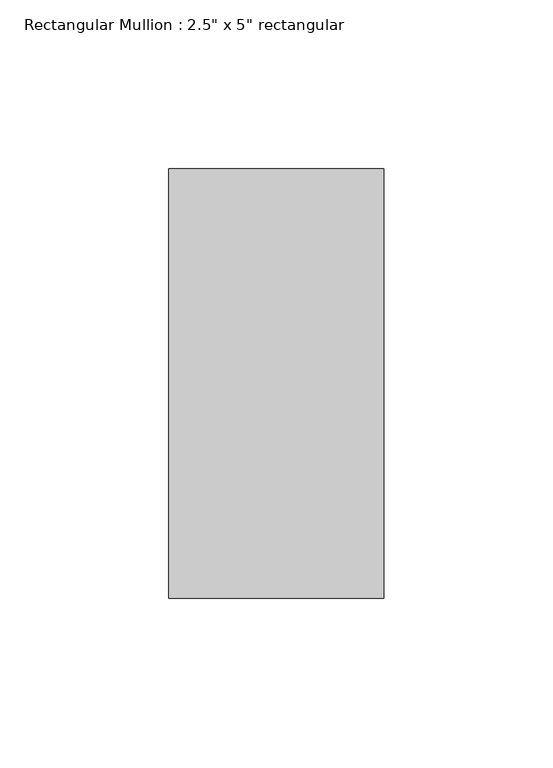
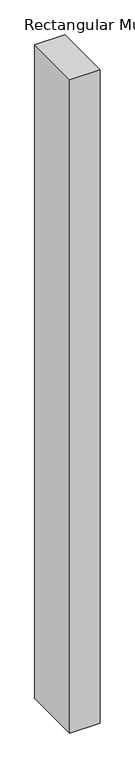
"""IFC4 building model written with IfcOpenShell, lengths in millimetres: member geometry."""

import ifcopenshell
import ifcopenshell.guid

model = None  # the IFC model being written
_history = None  # IfcOwnerHistory: only IFC2X3 demands one
_inside = {}  # id of a spatial element -> (the spatial element, [elements in it])
_under = {}  # id of a project, library or spatial element -> (it, [spatial elements below it])
_declared = {}  # id of a project -> (the project, [libraries it declares])
_typed = {}  # id of a type object -> (the type object, [elements of that type])
_made_of = {}  # id of a material, layer set ... -> (it, [elements and type objects made of it])


def new_model(schema):
    """Start an empty IFC model of exactly this schema.

    Asked for "IFC4X3", IfcOpenShell would pick the latest addendum, in which some entities
    have other attributes; the version numbers below select the first issue.
    IFC2X3 requires an IfcOwnerHistory on every rooted entity: one is made here for all.
    """
    global model, _history
    if schema == "IFC4X3":
        model = ifcopenshell.file(schema_version=(4, 3, 0, 0))
    else:
        model = ifcopenshell.file(schema=schema)
    _inside.clear()
    _under.clear()
    _declared.clear()
    _typed.clear()
    _made_of.clear()
    _history = None
    if model.schema == "IFC2X3":
        org = make("IfcOrganization", Name="unknown")
        user = make(
            "IfcPersonAndOrganization",
            ThePerson=make("IfcPerson", FamilyName="unknown"),
            TheOrganization=org,
        )
        app = make(
            "IfcApplication",
            ApplicationDeveloper=org,
            Version="unknown",
            ApplicationFullName="unknown",
            ApplicationIdentifier="unknown",
        )
        _history = make(
            "IfcOwnerHistory",
            OwningUser=user,
            OwningApplication=app,
            ChangeAction="ADDED",
            CreationDate=0,
        )
    return model


def make(cls, **values):
    """One entity of the class cls with the attributes given. An attribute that is None is left unset."""
    return model.create_entity(
        cls, **{name: value for name, value in values.items() if value is not None}
    )


def rooted(cls, **values):
    """An entity with a GlobalId (a new one), such as an element, a storey or a relation."""
    return make(cls, GlobalId=ifcopenshell.guid.new(), OwnerHistory=_history, **values)


def si_unit(unit_type, name, prefix=None):
    """IfcSIUnit, for example si_unit("LENGTHUNIT", "METRE", prefix="MILLI")."""
    return make("IfcSIUnit", UnitType=unit_type, Prefix=prefix, Name=name)


def assignment(units):
    """IfcUnitAssignment: the units of a project."""
    return None if units is None else make("IfcUnitAssignment", Units=units)


def point(xyz):
    """IfcCartesianPoint."""
    return None if xyz is None else make("IfcCartesianPoint", Coordinates=xyz)


def direction(xyz):
    """IfcDirection."""
    return None if xyz is None else make("IfcDirection", DirectionRatios=xyz)


def frame(location, z_axis=None, x_axis=None):
    """IfcAxis2Placement3D, a coordinate frame: its origin and axes. An axis left out is left unset."""
    return make(
        "IfcAxis2Placement3D",
        Location=point(location),
        Axis=direction(z_axis),
        RefDirection=direction(x_axis),
    )


def origin():
    """The frame at (0, 0, 0) with its axes left unset."""
    return frame((0.0, 0.0, 0.0))


def place(relative_to, where):
    """IfcLocalPlacement: puts the frame where relative to a parent placement (None: the world)."""
    return make(
        "IfcLocalPlacement", PlacementRelTo=relative_to, RelativePlacement=where
    )


def context(
    kind, dimensions, precision=None, world=None, true_north=None, identifier=None
):
    """IfcGeometricRepresentationContext, for example the 3D "Model" context."""
    return make(
        "IfcGeometricRepresentationContext",
        ContextIdentifier=identifier,
        ContextType=kind,
        CoordinateSpaceDimension=dimensions,
        Precision=precision,
        WorldCoordinateSystem=world,
        TrueNorth=true_north,
    )


def project(units=None, contexts=None):
    """IfcProject with its units and contexts."""
    return rooted(
        "IfcProject",
        Name="project",
        RepresentationContexts=contexts,
        UnitsInContext=assignment(units),
    )


def spatial(cls, under=None, at=None, **own):
    """A site, building, storey or space (cls), placed at a placement, below another one or the project."""
    s = rooted(cls, ObjectPlacement=at, **own)
    if under is not None:
        _under.setdefault(under.id(), (under, []))[1].append(s)
    return s


def polyline(points):
    """IfcPolyline through the points."""
    return make("IfcPolyline", Points=[point(p) for p in points])


def outline(outer, holes=None, kind="AREA"):
    """IfcArbitraryClosedProfileDef: a profile drawn as a closed curve; with holes, ...WithVoids."""
    if holes is None:
        return make("IfcArbitraryClosedProfileDef", ProfileType=kind, OuterCurve=outer)
    return make(
        "IfcArbitraryProfileDefWithVoids",
        ProfileType=kind,
        OuterCurve=outer,
        InnerCurves=holes,
    )


def extrude(swept, where, along, depth):
    """IfcExtrudedAreaSolid: the profile swept, set in the frame where, extruded along a direction by depth."""
    return make(
        "IfcExtrudedAreaSolid",
        SweptArea=swept,
        Position=where,
        ExtrudedDirection=direction(along),
        Depth=depth,
    )


def shape(context_of_items, identifier, shape_type, items):
    """IfcShapeRepresentation: the items that make up one representation, for example the "Body"."""
    return make(
        "IfcShapeRepresentation",
        ContextOfItems=context_of_items,
        RepresentationIdentifier=identifier,
        RepresentationType=shape_type,
        Items=items,
    )


def source(mapping_origin, context_of_items, identifier, shape_type, items):
    """IfcRepresentationMap: a shape defined once, which mapped items show again and again."""
    return make(
        "IfcRepresentationMap",
        MappingOrigin=mapping_origin,
        MappedRepresentation=shape(context_of_items, identifier, shape_type, items),
    )


def transform(
    local_origin,
    x_axis=None,
    y_axis=None,
    z_axis=None,
    scale=None,
    scale2=None,
    scale3=None,
    uniform=True,
):
    """IfcCartesianTransformationOperator3D, or its non-uniform kind. x_axis, y_axis, z_axis: its Axis1, 2, 3."""
    if uniform:
        return make(
            "IfcCartesianTransformationOperator3D",
            Axis1=direction(x_axis),
            Axis2=direction(y_axis),
            LocalOrigin=point(local_origin),
            Scale=scale,
            Axis3=direction(z_axis),
        )
    return make(
        "IfcCartesianTransformationOperator3DnonUniform",
        Axis1=direction(x_axis),
        Axis2=direction(y_axis),
        LocalOrigin=point(local_origin),
        Scale=scale,
        Axis3=direction(z_axis),
        Scale2=scale2,
        Scale3=scale3,
    )


def mapped(mapping_source, mapping_target):
    """IfcMappedItem: shows the shape of a source again, moved by a transform."""
    return make(
        "IfcMappedItem", MappingSource=mapping_source, MappingTarget=mapping_target
    )


def made_of(thing, what):
    """Note that an element or type object is made of a material, layer set ...; save() writes the relation."""
    if what is not None:
        _made_of.setdefault(what.id(), (what, []))[1].append(thing)
    return thing


def element(
    cls,
    number,
    at=None,
    inside=None,
    cuts=None,
    type_object=None,
    material=None,
    context=None,
    identifier="Body",
    shape_type=None,
    held_by="IfcProductDefinitionShape",
    body=None,
    shapes=None,
    **own,
):
    """One element of the class cls, such as IfcWall. Its Tag is "e" and its number.

    at: its placement. inside: the storey or other place that contains it. cuts: it is an
    opening in that element (IfcRelVoidsElement). A single representation is given by context,
    identifier, shape_type and body (its items); several are given by shapes. held_by: the class
    of the entity that holds the representations. save() writes the other relations.
    """
    e = rooted(cls, Tag="e%d" % number, ObjectPlacement=at, **own)
    if body is not None:
        shapes = [shape(context, identifier, shape_type, body)]
    if shapes is not None:
        e.Representation = make(held_by, Representations=shapes)
    if inside is not None:
        _inside.setdefault(inside.id(), (inside, []))[1].append(e)
    if cuts is not None:
        rooted(
            "IfcRelVoidsElement", RelatingBuildingElement=cuts, RelatedOpeningElement=e
        )
    if type_object is not None:
        _typed.setdefault(type_object.id(), (type_object, []))[1].append(e)
    return made_of(e, material)


def aggregate(whole, parts):
    """IfcRelAggregates: a whole, such as a stair, and the parts it consists of."""
    return rooted("IfcRelAggregates", RelatingObject=whole, RelatedObjects=parts)


def save(model, path):
    """Write the relations noted so far, then the file.

    IfcRelAggregates (storeys below a building ...), IfcRelContainedInSpatialStructure (elements
    in a storey), IfcRelDefinesByType, IfcRelAssociatesMaterial and IfcRelDeclares: one each for
    every whole, place, type object, material and project.
    """
    for whole, parts in _under.values():
        aggregate(whole, parts)
    for where, things in _inside.values():
        rooted(
            "IfcRelContainedInSpatialStructure",
            RelatedElements=things,
            RelatingStructure=where,
        )
    for kind, things in _typed.values():
        rooted("IfcRelDefinesByType", RelatedObjects=things, RelatingType=kind)
    for what, things in _made_of.values():
        rooted("IfcRelAssociatesMaterial", RelatedObjects=things, RelatingMaterial=what)
    for by, libraries in _declared.values():
        rooted("IfcRelDeclares", RelatingContext=by, RelatedDefinitions=libraries)
    model.write(path)


def member_a70550d0(model_context):
    return source(origin(), model_context, "Body", "SweptSolid", [
        extrude(outline(polyline([(0.0, 63.5), (0.0, -63.5), (-63.5, -63.5), (-63.5, 63.5), (0.0, 63.5)])), frame((0.0, 0.0, -1445.7), z_axis=(0.0, 0.0, 1.0), x_axis=(1.0, 0.0, 0.0)), (0.0, 0.0, 1.0), 1445.7),
    ])


if __name__ == "__main__":
    model = new_model("IFC4")
    model_context = context("Model", 3, world=origin())
    ifc_project = project(units=[si_unit("LENGTHUNIT", "METRE", prefix="MILLI")], contexts=[model_context])
    site = spatial("IfcSite", under=ifc_project)
    building = spatial("IfcBuilding", under=site)
    placement = place(None, origin())
    member_shape = member_a70550d0(model_context)
    element("IfcMember", 1, ObjectType="Rectangular Mullion : 2.5\" x 5\" rectangular", at=placement, inside=building, context=model_context, shape_type="MappedRepresentation", body=[
        mapped(member_shape, transform((0.0, 0.0, 0.0), x_axis=(1.0, 0.0, 0.0), y_axis=(0.0, 1.0, 0.0), z_axis=(0.0, 0.0, 1.0))),
    ])
    save(model, "model.ifc")
